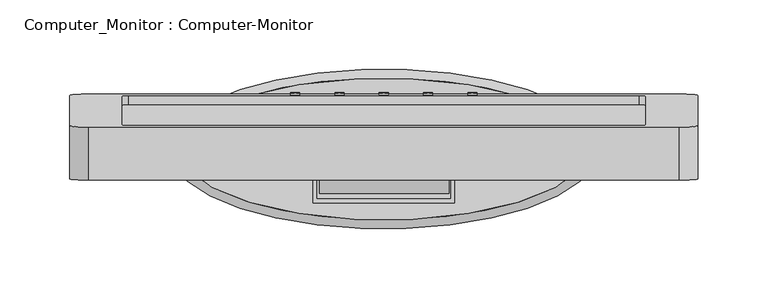
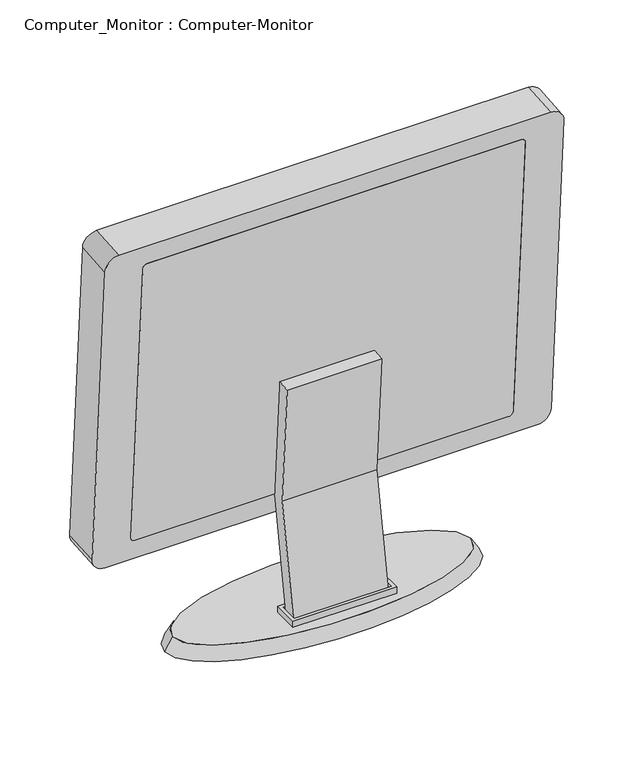
"""IFC4 building model written with IfcOpenShell, lengths in millimetres: furniture geometry, Computer_Monitor : Computer-Monitor."""

from ifc_helpers import new_model, si_unit, point, frame, frame_2d, origin, place, context, project, spatial, polyline, circle_curve, ellipse_curve, trimmed, segment, composite_curve, outline, extrude, source, transform, mapped, element, save
from ifc_brep_helpers import plane_surface, spline_surface, advanced_brep


def computer_monitor_computer_monitor_ad65e11f(model_context):
    return source(origin(), model_context, "Body", "SolidModel", [
        extrude(outline(polyline([(-33.273182, 768.35), (-14.0951295, 881.6657391), (-22.511248, 1002.0218418), (-9.8421846, 1002.907749), (-1.3203812, 881.0402834), (-20.7512528, 766.2307338), (-33.273182, 768.35)])), frame((-45.999954, 0.0, 0.0), z_axis=(1.0, 0.0, 0.0), x_axis=(0.0, 1.0, 0.0)), (0.0, 0.0, 1.0), 92.6634725),
        extrude(outline(polyline([(50.8, -40.1359801), (-50.8, -40.1359801), (-50.8, -14.7359801), (50.8, -14.7359801), (50.8, -40.1359801)]), holes=[polyline([(47.625, -36.9609801), (47.625, -17.9109801), (-47.625, -17.9109801), (-47.625, -36.9609801), (47.625, -36.9609801)])]), frame((0.0, 0.0, 768.35), z_axis=(0.0, 0.0, 1.0), x_axis=(1.0, 0.0, 0.0)), (0.0, 0.0, 1.0), 6.35),
        advanced_brep(
        [(146.05, -1.3951295, 768.35), (-146.05, -1.3951295, 768.35), (153.9875, -1.3951295, 755.65), (-153.9875, -1.3951295, 755.65)],
        [
            (0, 1, ellipse_curve(frame((0.0, -1.3951295, 768.35), z_axis=(0.0, 0.0, 1.0), x_axis=(-1.0, 0.0, 0.0)), 146.05, 50.8)),
            (1, 0, ellipse_curve(frame((0.0, -1.3951295, 768.35), z_axis=(0.0, 0.0, 1.0), x_axis=(-1.0, 0.0, 0.0)), 146.05, 50.8)),
            (2, 3, ellipse_curve(frame((0.0, -1.3951295, 755.65), z_axis=(0.0, 0.0, -1.0), x_axis=(-1.0, 0.0, 0.0)), 153.9875, 57.15)),
            (3, 2, ellipse_curve(frame((0.0, -1.3951295, 755.65), z_axis=(0.0, 0.0, -1.0), x_axis=(-1.0, 0.0, 0.0)), 153.9875, 57.15)),
            (2, 0),
            (1, 3),
        ],
        [
            plane_surface(frame((0.0, -1.3951295, 768.35), z_axis=(0.0, 0.0, 1.0), x_axis=(0.0, -1.0, 0.0))),
            plane_surface(frame((0.0, -1.3951295, 755.65), z_axis=(0.0, 0.0, -1.0), x_axis=(0.0, -1.0, 0.0))),
            spline_surface(1, 2, [[(153.9875, -1.3951295, 755.65), (153.9875, -58.5451295, 755.65), (0.0, -58.5451295, 755.65), (-153.9875, -58.5451295, 755.65), (-153.9875, -1.3951295, 755.65)], [(146.05, -1.3951295, 768.35), (146.05, -52.1951295, 768.35), (0.0, -52.1951295, 768.35), (-146.05, -52.1951295, 768.35), (-146.05, -1.3951295, 768.35)]], [2, 2], [3, 2, 3], [0.0, 1.0], [0.0, 1.0, 2.0], weights=[[1.0, 0.7071067811865476, 1.0, 0.7071067811865476, 1.0], [1.0, 0.7071067811865476, 1.0, 0.7071067811865476, 1.0]]),
            spline_surface(1, 2, [[(-153.9875, -1.3951295, 755.65), (-153.9875, 55.754870499999996, 755.65), (0.0, 55.754870499999996, 755.65), (153.9875, 55.754870499999996, 755.65), (153.9875, -1.3951295, 755.65)], [(-146.05, -1.3951295, 768.35), (-146.05, 49.404870499999994, 768.35), (0.0, 49.404870499999994, 768.35), (146.05, 49.404870499999994, 768.35), (146.05, -1.3951295, 768.35)]], [2, 2], [3, 2, 3], [0.0, 1.0], [0.0, 1.0, 2.0], weights=[[1.0, 0.7071067811865476, 1.0, 0.7071067811865476, 1.0], [1.0, 0.7071067811865476, 1.0, 0.7071067811865476, 1.0]]),
        ],
        [
            (0, [[1, 2]]),
            (1, [[3, 4]]),
            (2, [[5, -2, 6, -3]]),
            (3, [[-6, -1, -5, -4]]),
        ],
    ),
        extrude(outline(composite_curve([segment(trimmed(circle_curve(frame_2d((0.0, 3.2238776)), 3.2238776), [point((0.0, 6.4477552))], [point((0.0, 0.0))], False, "CARTESIAN"), True, "CONTINUOUS"), segment(trimmed(circle_curve(frame_2d((0.0, 3.2238776)), 3.2238776), [point((0.0, 0.0))], [point((0.0, 6.4477552))], False, "CARTESIAN"), True, "CONTINUOUS")], self_intersect=False)), frame((-60.2761224, 37.3170375, 874.2418252), z_axis=(0.0, 0.9975640502598256, 0.06975647374410573), x_axis=(0.0, 0.06975647374410573, -0.9975640502598256)), (0.0, 0.0, 1.0), 1.5875),
        extrude(outline(composite_curve([segment(trimmed(circle_curve(frame_2d((0.0, -28.5261224)), 3.2238776), [point((0.0, -25.3022448))], [point((0.0, -31.75))], False, "CARTESIAN"), True, "CONTINUOUS"), segment(trimmed(circle_curve(frame_2d((0.0, -28.5261224)), 3.2238776), [point((0.0, -31.75))], [point((0.0, -25.3022448))], False, "CARTESIAN"), True, "CONTINUOUS")], self_intersect=False)), frame((-60.2761224, 37.3170375, 874.2418252), z_axis=(0.0, 0.9975640502598256, 0.06975647374410573), x_axis=(0.0, 0.06975647374410573, -0.9975640502598256)), (0.0, 0.0, 1.0), 1.5875),
        extrude(outline(composite_curve([segment(trimmed(circle_curve(frame_2d((0.0, -60.2761224)), 3.2238776), [point((0.0, -57.0522448))], [point((0.0, -63.5))], False, "CARTESIAN"), True, "CONTINUOUS"), segment(trimmed(circle_curve(frame_2d((0.0, -60.2761224)), 3.2238776), [point((0.0, -63.5))], [point((0.0, -57.0522448))], False, "CARTESIAN"), True, "CONTINUOUS")], self_intersect=False)), frame((-60.2761224, 37.3170375, 874.2418252), z_axis=(0.0, 0.9975640502598256, 0.06975647374410573), x_axis=(0.0, 0.06975647374410573, -0.9975640502598256)), (0.0, 0.0, 1.0), 1.5875),
        extrude(outline(composite_curve([segment(trimmed(circle_curve(frame_2d((0.0, -92.0261224)), 3.2238776), [point((0.0, -88.8022448))], [point((0.0, -95.25))], False, "CARTESIAN"), True, "CONTINUOUS"), segment(trimmed(circle_curve(frame_2d((0.0, -92.0261224)), 3.2238776), [point((0.0, -95.25))], [point((0.0, -88.8022448))], False, "CARTESIAN"), True, "CONTINUOUS")], self_intersect=False)), frame((-60.2761224, 37.3170375, 874.2418252), z_axis=(0.0, 0.9975640502598256, 0.06975647374410573), x_axis=(0.0, 0.06975647374410573, -0.9975640502598256)), (0.0, 0.0, 1.0), 1.5875),
        extrude(outline(composite_curve([segment(trimmed(circle_curve(frame_2d((0.0, -123.7761224)), 3.2238776), [point((0.0, -120.5522448))], [point((0.0, -127.0))], False, "CARTESIAN"), True, "CONTINUOUS"), segment(trimmed(circle_curve(frame_2d((0.0, -123.7761224)), 3.2238776), [point((0.0, -127.0))], [point((0.0, -120.5522448))], False, "CARTESIAN"), True, "CONTINUOUS")], self_intersect=False)), frame((-60.2761224, 37.3170375, 874.2418252), z_axis=(0.0, 0.9975640502598256, 0.06975647374410573), x_axis=(0.0, 0.06975647374410573, -0.9975640502598256)), (0.0, 0.0, 1.0), 1.5875),
        extrude(outline(composite_curve([segment(polyline([(291.4409064, 0.0), (0.0, 0.0)]), True, "CONTINUOUS"), segment(trimmed(circle_curve(frame_2d((0.0, 4.2795468)), 4.2795468), [point((0.0, 0.0))], [point((-4.2795468, 4.2795468))], False, "CARTESIAN"), True, "CONTINUOUS"), segment(polyline([(-4.2795468, 4.2795468), (-4.2795468, 370.7204532)]), True, "CONTINUOUS"), segment(trimmed(circle_curve(frame_2d((0.0, 370.7204532)), 4.2795468), [point((-4.2795468, 370.7204532))], [point((0.0, 375.0))], False, "CARTESIAN"), True, "CONTINUOUS"), segment(polyline([(0.0, 375.0), (291.4409064, 375.0)]), True, "CONTINUOUS"), segment(trimmed(circle_curve(frame_2d((291.4409064, 370.7204532)), 4.2795468), [point((291.4409064, 375.0))], [point((295.7204533, 370.7204532))], False, "CARTESIAN"), True, "CONTINUOUS"), segment(polyline([(295.7204533, 370.7204532), (295.7204533, 4.2795468)]), True, "CONTINUOUS"), segment(trimmed(circle_curve(frame_2d((291.4409064, 4.2795468)), 4.2795468), [point((295.7204533, 4.2795468))], [point((291.4409064, 0.0))], False, "CARTESIAN"), True, "CONTINUOUS")], self_intersect=False)), frame((-187.5, -1.6936556, 885.9348611), z_axis=(0.0, 0.9975640502598256, 0.06975647374410573), x_axis=(0.0, -0.06975647374410573, 0.9975640502598256)), (0.0, 0.0, 1.0), 31.75),
        extrude(outline(composite_curve([segment(polyline([(423.0625428, 0.0), (0.0, 0.0)]), True, "CONTINUOUS"), segment(trimmed(circle_curve(frame_2d((0.0, 13.4687285)), 13.4687286), [point((0.0, 0.0))], [point((-13.4687286, 13.4687285))], False, "CARTESIAN"), True, "CONTINUOUS"), segment(polyline([(-13.4687286, 13.4687285), (-13.4687286, 325.6717948)]), True, "CONTINUOUS"), segment(trimmed(circle_curve(frame_2d((0.0312537, 325.6717948)), 13.4999823), [point((-13.4687286, 325.6717948))], [point((0.0312537, 339.1717771))], False, "CARTESIAN"), True, "CONTINUOUS"), segment(polyline([(0.0312537, 339.1717771), (423.0312891, 339.1717771)]), True, "CONTINUOUS"), segment(trimmed(circle_curve(frame_2d((423.0312891, 325.6717948)), 13.4999823), [point((423.0312891, 339.1717771))], [point((436.5312714, 325.6717948))], False, "CARTESIAN"), True, "CONTINUOUS"), segment(polyline([(436.5312714, 325.6717948), (436.5312714, 13.4687285)]), True, "CONTINUOUS"), segment(trimmed(circle_curve(frame_2d((423.0625428, 13.4687285)), 13.4687286), [point((436.5312714, 13.4687285))], [point((423.0625428, 0.0))], False, "CARTESIAN"), True, "CONTINUOUS")], self_intersect=False), holes=[composite_curve([segment(trimmed(circle_curve(frame_2d((28.2834577, 315.1402591)), 4.0802369), [point((28.2834577, 319.2204961))], [point((24.2032208, 315.1402591))], True, "CARTESIAN"), True, "CONTINUOUS"), segment(polyline([(24.2032208, 315.1402591), (24.2032208, 24.0002642)]), True, "CONTINUOUS"), segment(trimmed(circle_curve(frame_2d((28.252204, 24.0002642)), 4.0489832), [point((24.2032208, 24.0002642))], [point((28.252204, 19.951281))], True, "CARTESIAN"), True, "CONTINUOUS"), segment(polyline([(28.252204, 19.951281), (394.8103388, 19.951281)]), True, "CONTINUOUS"), segment(trimmed(circle_curve(frame_2d((394.8103388, 24.0002642)), 4.0489832), [point((394.8103388, 19.951281))], [point((398.859322, 24.0002642))], True, "CARTESIAN"), True, "CONTINUOUS"), segment(polyline([(398.859322, 24.0002642), (398.859322, 315.1402591)]), True, "CONTINUOUS"), segment(trimmed(circle_curve(frame_2d((394.7790851, 315.1402591)), 4.0802369), [point((398.859322, 315.1402591))], [point((394.7790851, 319.2204961))], True, "CARTESIAN"), True, "CONTINUOUS"), segment(polyline([(394.7790851, 319.2204961), (28.2834577, 319.2204961)]), True, "CONTINUOUS")], self_intersect=False)]), frame((-211.5312714, -23.6855889, 1200.4341605), z_axis=(0.0, 0.9975640502598258, 0.06975647374410575), x_axis=(1.0, 0.0, 0.0)), (0.0, 0.0, 1.0), 38.1),
    ])


if __name__ == "__main__":
    model = new_model("IFC4")
    model_context = context("Model", 3, world=origin())
    ifc_project = project(units=[si_unit("LENGTHUNIT", "METRE", prefix="MILLI")], contexts=[model_context])
    site = spatial("IfcSite", under=ifc_project)
    building = spatial("IfcBuilding", under=site)
    placement = place(None, origin())
    computer_monitor_computer_monitor_shape = computer_monitor_computer_monitor_ad65e11f(model_context)
    element("IfcFurniture", 1, ObjectType="Computer_Monitor : Computer-Monitor", at=placement, inside=building, context=model_context, shape_type="MappedRepresentation", body=[
        mapped(computer_monitor_computer_monitor_shape, transform((0.0, 0.0, 0.0), x_axis=(1.0, 0.0, 0.0), y_axis=(0.0, 1.0, 0.0), z_axis=(0.0, 0.0, 1.0))),
    ])
    save(model, "model.ifc")
